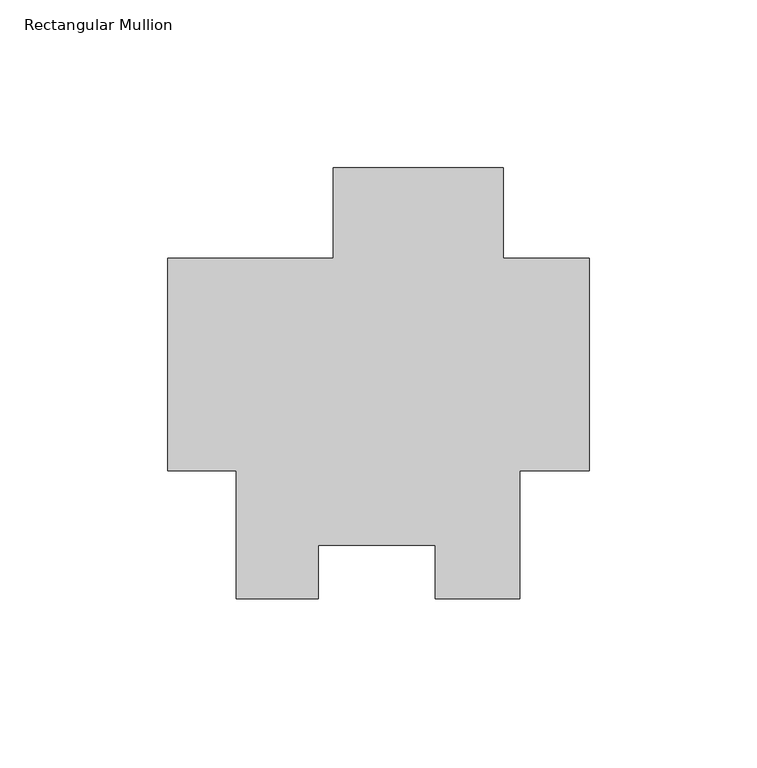
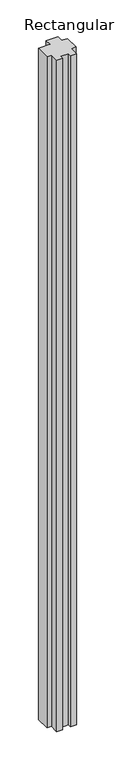
"""IFC4 building model written with IfcOpenShell, lengths in millimetres: member geometry, Rectangular Mullion."""

from ifc_helpers import new_model, si_unit, frame, origin, place, context, project, spatial, polyline, outline, extrude, source, transform, mapped, element, save


def rectangular_mullion_b665920c(model_context):
    return source(origin(), model_context, "Body", "SweptSolid", [
        extrude(outline(polyline([(-25.577927, 58.7248), (-25.577927, 31.75), (0.0, 31.75), (0.0, -31.75), (-20.6735973, -31.75), (-20.6735973, -69.85), (-45.9670891, -69.85), (-45.9670891, -53.9624751), (-80.8920891, -53.9624751), (-80.8920891, -69.8732034), (-105.2447888, -69.8732034), (-105.2447888, -31.75), (-125.7808, -31.75), (-125.7808, 31.75), (-76.377927, 31.75), (-76.377927, 58.7248), (-25.577927, 58.7248)])), frame((0.0, 0.0, -3048.0), z_axis=(0.0, 0.0, 1.0), x_axis=(1.0, 0.0, 0.0)), (0.0, 0.0, 1.0), 3048.0),
    ])


if __name__ == "__main__":
    model = new_model("IFC4")
    model_context = context("Model", 3, world=origin())
    ifc_project = project(units=[si_unit("LENGTHUNIT", "METRE", prefix="MILLI")], contexts=[model_context])
    site = spatial("IfcSite", under=ifc_project)
    building = spatial("IfcBuilding", under=site)
    placement = place(None, origin())
    rectangular_mullion_shape = rectangular_mullion_b665920c(model_context)
    element("IfcMember", 1, ObjectType="Rectangular Mullion", at=placement, inside=building, context=model_context, shape_type="MappedRepresentation", body=[
        mapped(rectangular_mullion_shape, transform((0.0, 0.0, 0.0), x_axis=(1.0, 0.0, 0.0), y_axis=(0.0, 1.0, 0.0), z_axis=(0.0, 0.0, 1.0))),
    ])
    save(model, "model.ifc")
